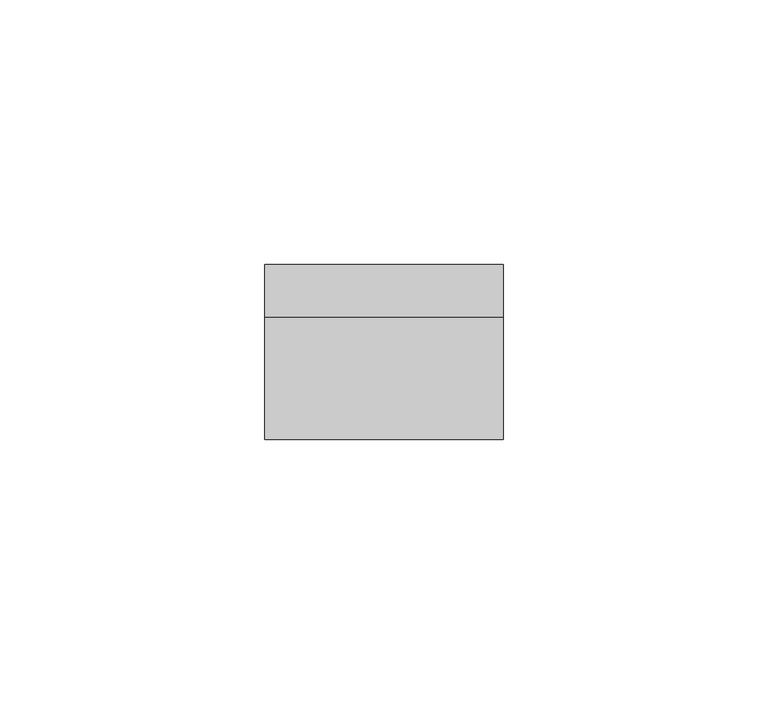
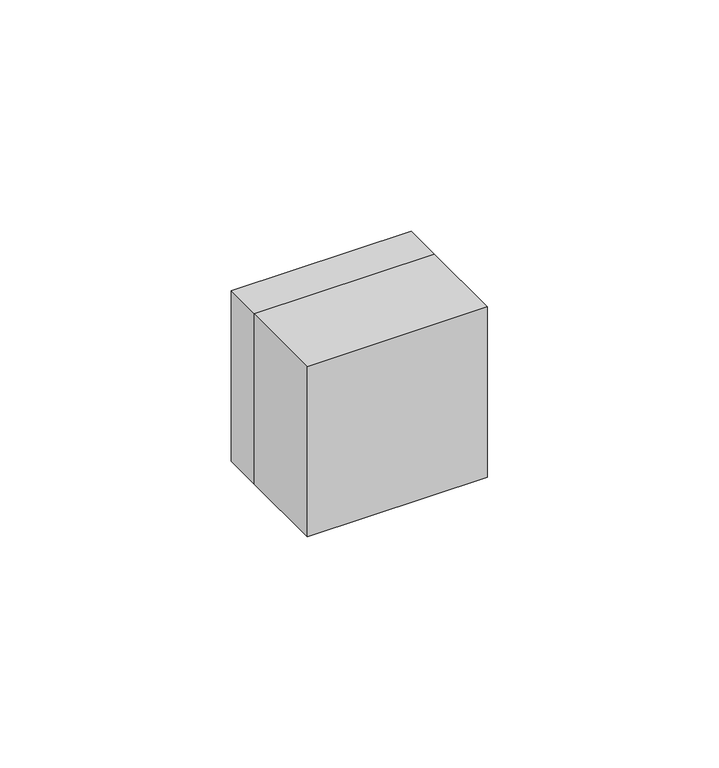
"""IFC4 building model written with IfcOpenShell, lengths in millimetres: electric appliance geometry."""

from ifc_helpers import new_model, si_unit, frame, origin, place, context, project, spatial, polyline, outline, extrude, source, transform, mapped, element, save


def electric_appliance_4dd4e4bc(model_context):
    return source(origin(), model_context, "Body", "SweptSolid", [
        extrude(outline(polyline([(-2.5, 0.0), (-12.5, 0.0), (-12.5, 7.0), (-2.5, 7.0), (-2.5, 0.0)])), frame((0.0, 0.0, 3.0), z_axis=(0.0, 0.0, 1.0), x_axis=(1.0, 0.0, 0.0)), (0.0, 0.0, 1.0), 1.0),
        extrude(outline(polyline([(12.5, 0.0), (2.5, 0.0), (2.5, 7.0), (12.5, 7.0), (12.5, 0.0)])), frame((0.0, 0.0, 3.0), z_axis=(0.0, 0.0, 1.0), x_axis=(1.0, 0.0, 0.0)), (0.0, 0.0, 1.0), 1.0),
        extrude(outline(polyline([(22.5, -23.0), (-22.5, -23.0), (-22.5, 0.0), (22.5, 0.0), (22.5, -23.0)])), frame((0.0, 0.0, -22.5), z_axis=(0.0, 0.0, 1.0), x_axis=(1.0, 0.0, 0.0)), (0.0, 0.0, 1.0), 45.0),
        extrude(outline(polyline([(22.5, 22.5), (22.5, -22.5), (-22.5, -22.5), (-22.5, 22.5), (22.5, 22.5)]), holes=[polyline([(-7.0, 1.0), (7.0, 1.0), (7.0, 14.0), (-7.0, 14.0), (-7.0, 1.0)]), polyline([(-7.0, -14.0), (7.0, -14.0), (7.0, -1.0), (-7.0, -1.0), (-7.0, -14.0)])]), frame((0.0, 0.0, 0.0), z_axis=(0.0, 1.0, 0.0), x_axis=(0.0, 0.0, 1.0)), (0.0, 0.0, 1.0), 10.0),
        extrude(outline(polyline([(6.8, 13.8), (6.8, 1.2), (-6.8, 1.2), (-6.8, 13.8), (6.8, 13.8)]), holes=[polyline([(-6.0, 9.5037086), (-6.0, 5.4962914), (-4.5, 5.4962914), (-4.5, 2.9962914), (-3.0, 2.9962914), (-3.0, 1.5), (4.0, 1.5), (4.0, 13.5), (-3.0, 13.5), (-3.0, 12.0037086), (-4.5, 12.0037086), (-4.5, 9.5037086), (-6.0, 9.5037086)])]), frame((0.0, 0.0, 0.0), z_axis=(0.0, 1.0, 0.0), x_axis=(0.0, 0.0, 1.0)), (0.0, 0.0, 1.0), 10.0),
        extrude(outline(polyline([(6.8, -1.2), (6.8, -13.8), (-6.8, -13.8), (-6.8, -1.2), (6.8, -1.2)]), holes=[polyline([(-6.0, -5.4962914), (-6.0, -9.5037086), (-4.5, -9.5037086), (-4.5, -12.0037086), (-3.0, -12.0037086), (-3.0, -13.5), (4.0, -13.5), (4.0, -1.5), (-3.0, -1.5), (-3.0, -2.9962914), (-4.5, -2.9962914), (-4.5, -5.4962914), (-6.0, -5.4962914)])]), frame((0.0, 0.0, 0.0), z_axis=(0.0, 1.0, 0.0), x_axis=(0.0, 0.0, 1.0)), (0.0, 0.0, 1.0), 10.0),
    ])


if __name__ == "__main__":
    model = new_model("IFC4")
    model_context = context("Model", 3, world=origin())
    ifc_project = project(units=[si_unit("LENGTHUNIT", "METRE", prefix="MILLI")], contexts=[model_context])
    site = spatial("IfcSite", under=ifc_project)
    building = spatial("IfcBuilding", under=site)
    placement = place(None, origin())
    electric_appliance_shape = electric_appliance_4dd4e4bc(model_context)
    element("IfcElectricAppliance", 1, at=placement, inside=building, context=model_context, shape_type="MappedRepresentation", body=[
        mapped(electric_appliance_shape, transform((0.0, 0.0, 0.0), x_axis=(1.0, 0.0, 0.0), y_axis=(0.0, 1.0, 0.0), z_axis=(0.0, 0.0, 1.0))),
    ])
    save(model, "model.ifc")
